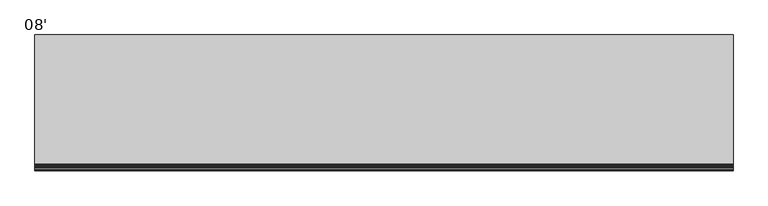
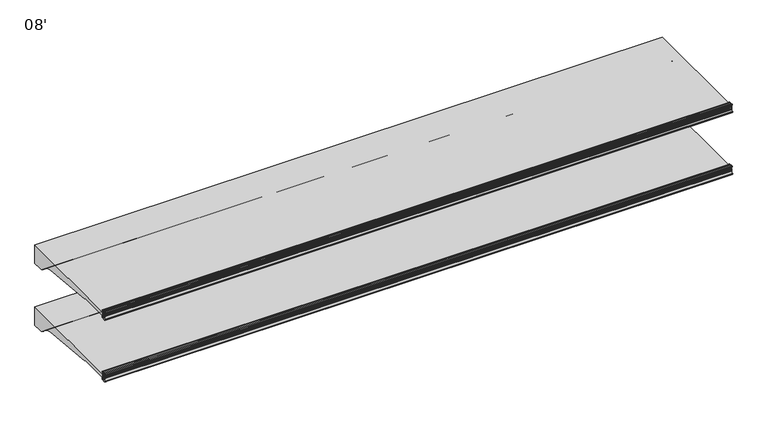
"""IFC4 building model written with IfcOpenShell, lengths in millimetres: proxy geometry, 08'."""

from ifc_helpers import new_model, si_unit, point, frame, frame_2d, origin, place, context, project, spatial, polyline, circle_curve, trimmed, segment, composite_curve, outline, extrude, source, transform, mapped, element, save
from ifc_brep_helpers import plane_surface, cylinder_surface, revolved_surface, advanced_brep


def proxy_08_d58db6a6(model_context):
    return source(origin(), model_context, "Body", "SolidModel", [
        advanced_brep(
        [(2438.4, -953.4873974, 681.0904625), (2438.4, -952.5185778, 681.4714625), (2438.4, -953.6333414, 684.3061209), (2438.4, -956.6955302, 686.3996415), (2438.4, -959.1595285, 686.4076477), (2438.4, -959.1595285, 657.8657693), (2438.4, -961.2817196, 655.360368), (2438.4, -965.5436404, 654.6561237), (2438.4, -968.2411887, 658.2745384), (2438.4, -965.1539285, 670.8307421), (2438.4, -965.1539285, 686.4076477), (2438.4, -970.314443, 686.4076477), (2438.4, -971.339509, 685.8874951), (2438.4, -972.4224632, 683.637417), (2438.4, -971.4385536, 683.443709), (2438.4, -970.8449745, 685.0408785), (2438.4, -969.9972085, 685.2102858), (2438.4, -967.9567396, 682.1127655), (2438.4, -967.0677396, 682.1127655), (2438.4, -967.0677396, 677.2983931), (2438.4, -966.2810398, 677.1037668), (2438.4, -967.0803293, 673.8729566), (2438.4, -967.1337108, 670.8148125), (2438.4, -967.1768859, 669.6923073), (2438.4, -967.3201998, 668.0486892), (2438.4, -967.7783843, 665.2928115), (2438.4, -968.1746064, 663.6912412), (2438.4, -971.9864246, 655.4135187), (2438.4, -972.8889174, 655.5326257), (2438.4, -973.3695256, 656.9783707), (2438.4, -974.339124, 656.7144155), (2438.4, -973.9435731, 655.5633791), (2438.4, -968.3206176, 651.8042842), (2438.4, -955.7661201, 653.8703352), (2438.4, -953.1994616, 655.999106), (2438.4, -952.2242271, 658.6783954), (2438.4, -953.2266912, 659.0432625), (2438.4, -954.0834067, 657.2549991), (2438.4, -957.704454, 658.1647291), (2438.4, -957.8263588, 681.9749145), (2438.4, -954.1516029, 682.7785615), (0.0, -953.4873974, 681.0904625), (0.0, -954.1516029, 682.7785615), (0.0, -957.8263588, 681.9749145), (0.0, -957.704454, 658.1647291), (0.0, -954.0834067, 657.2549991), (0.0, -953.2266912, 659.0432625), (0.0, -952.2242271, 658.6783954), (0.0, -953.1994616, 655.999106), (0.0, -955.7661201, 653.8703352), (0.0, -968.3206176, 651.8042842), (0.0, -973.943554, 655.5633876), (0.0, -974.339124, 656.7144155), (0.0, -973.3695256, 656.9783707), (0.0, -972.8889174, 655.5326257), (0.0, -971.9864527, 655.4135375), (0.0, -968.1746064, 663.6912412), (0.0, -967.7783843, 665.2928115), (0.0, -967.3201998, 668.0486892), (0.0, -967.1768859, 669.6923073), (0.0, -967.1337108, 670.8148125), (0.0, -967.0803293, 673.8729566), (0.0, -966.2810398, 677.1037668), (0.0, -967.0677396, 677.2983931), (0.0, -967.0677396, 682.1127655), (0.0, -967.9567396, 682.1127655), (0.0, -969.9972022, 685.2102916), (0.0, -970.8449745, 685.0408785), (0.0, -971.4385536, 683.443709), (0.0, -972.4224582, 683.6374156), (0.0, -971.3395219, 685.8875045), (0.0, -970.314443, 686.4076351), (0.0, -965.1539285, 686.4076477), (0.0, -965.1539285, 670.8307421), (0.0, -968.2411887, 658.2745384), (0.0, -965.5436404, 654.6561237), (0.0, -961.2817196, 655.360368), (0.0, -959.1595285, 657.8657693), (0.0, -959.1595285, 686.4076477), (0.0, -956.6955302, 686.3996415), (0.0, -953.6333414, 684.3061209), (0.0, -952.5185778, 681.4714625)],
        [
            (0, 1),
            (1, 2),
            (2, 3, circle_curve(frame((2438.4, -956.7062592, 683.0976589), z_axis=(1.0, 0.0, 0.0), x_axis=(0.0, 1.0, 0.0)), 3.302)),
            (3, 4),
            (4, 5),
            (5, 6, circle_curve(frame((2438.4, -961.6995285, 657.8657693), z_axis=(-1.0, 0.0, 0.0), x_axis=(0.0, 1.0, 0.0)), 2.54)),
            (6, 7),
            (7, 8, circle_curve(frame((2438.4, -965.9577369, 657.1621385), z_axis=(-1.0, 0.0, 0.0), x_axis=(0.0, 1.0, 0.0)), 2.5399972)),
            (8, 9, circle_curve(frame((2438.4, -996.6337496, 671.9132099), z_axis=(1.0, 0.0, 0.0), x_axis=(0.0, 1.0, 0.0)), 31.4984265)),
            (9, 10),
            (10, 11),
            (11, 12, circle_curve(frame((2438.4, -970.3145227, 685.1376477), z_axis=(1.0, 0.0, 0.0), x_axis=(0.0, 1.0, 0.0)), 1.2699874)),
            (12, 13, circle_curve(frame((2438.4, -965.8048035, 681.8380607), z_axis=(1.0, 0.0, 0.0), x_axis=(0.0, 1.0, 0.0)), 6.8579226)),
            (13, 14, circle_curve(frame((2438.4, -971.9374049, 683.5055199), z_axis=(1.0, 0.0, 0.0), x_axis=(0.0, 1.0, 0.0)), 0.5026661)),
            (14, 15),
            (15, 16, circle_curve(frame((2438.4, -970.3688025, 684.8639119), z_axis=(-1.0, 0.0, 0.0), x_axis=(0.0, 1.0, 0.0)), 0.5079931)),
            (16, 17, circle_curve(frame((2438.4, -978.1160311, 677.6412695), z_axis=(-1.0, 0.0, 0.0), x_axis=(0.0, 1.0, 0.0)), 11.0997964)),
            (17, 18),
            (18, 19),
            (19, 20),
            (20, 21),
            (21, 22),
            (22, 23, circle_curve(frame((2438.4, -995.7036769, 671.3516199), z_axis=(-1.0, 0.0, 0.0), x_axis=(0.0, 1.0, 0.0)), 28.5750087)),
            (23, 24, circle_curve(frame((2438.4, -967.6415419, 668.9047655), z_axis=(-1.0, 0.0, 0.0), x_axis=(0.0, 1.0, 0.0)), 0.9144)),
            (24, 25, circle_curve(frame((2438.4, -995.7036769, 671.3516199), z_axis=(-1.0, 0.0, 0.0), x_axis=(0.0, 1.0, 0.0)), 28.5750087)),
            (25, 26, circle_curve(frame((2438.4, -968.3594405, 664.5867655), z_axis=(-1.0, 0.0, 0.0), x_axis=(0.0, 1.0, 0.0)), 0.9144)),
            (26, 27, circle_curve(frame((2438.4, -995.7036769, 671.3516199), z_axis=(-1.0, 0.0, 0.0), x_axis=(0.0, 1.0, 0.0)), 28.5750087)),
            (27, 28, circle_curve(frame((2438.4, -972.4081685, 655.6967617), z_axis=(-1.0, 0.0, 0.0), x_axis=(0.0, 1.0, 0.0)), 0.5079962)),
            (28, 29),
            (29, 30, circle_curve(frame((2438.4, -973.8504313, 656.8320909), z_axis=(1.0, 0.0, 0.0), x_axis=(0.0, 1.0, 0.0)), 0.502661)),
            (30, 31, circle_curve(frame((2438.4, -967.6812793, 658.3588849), z_axis=(1.0, 0.0, 0.0), x_axis=(0.0, 1.0, 0.0)), 6.857928)),
            (31, 32, circle_curve(frame((2438.4, -968.1450833, 658.1518495), z_axis=(1.0, 0.0, 0.0), x_axis=(0.0, 1.0, 0.0)), 6.3499919)),
            (32, 33),
            (33, 34, circle_curve(frame((2438.4, -956.302307, 657.1285107), z_axis=(1.0, 0.0, 0.0), x_axis=(0.0, 1.0, 0.0)), 3.302)),
            (34, 35),
            (35, 36),
            (36, 37),
            (37, 38, circle_curve(frame((2438.4, -955.8014264, 658.0780625), z_axis=(-1.0, 0.0, 0.0), x_axis=(0.0, 1.0, 0.0)), 1.905)),
            (38, 39, circle_curve(frame((2438.4, -1192.7045275, 668.8669665), z_axis=(1.0, 0.0, 0.0), x_axis=(0.0, 1.0, 0.0)), 235.2436449)),
            (39, 40, circle_curve(frame((2438.4, -955.9243184, 682.0810625), z_axis=(-1.0, 0.0, 0.0), x_axis=(0.0, 1.0, 0.0)), 1.905)),
            (40, 0),
            (41, 42),
            (42, 43, circle_curve(frame((0.0, -955.9243184, 682.0810625), z_axis=(1.0, 0.0, 0.0), x_axis=(0.0, 1.0, 0.0)), 1.905)),
            (43, 44, circle_curve(frame((0.0, -1192.7045275, 668.8669665), z_axis=(-1.0, 0.0, 0.0), x_axis=(0.0, 1.0, 0.0)), 235.2436449)),
            (44, 45, circle_curve(frame((0.0, -955.8014264, 658.0780625), z_axis=(1.0, 0.0, 0.0), x_axis=(0.0, 1.0, 0.0)), 1.905)),
            (45, 46),
            (46, 47),
            (47, 48),
            (48, 49, circle_curve(frame((0.0, -956.302307, 657.1285107), z_axis=(-1.0, 0.0, 0.0), x_axis=(0.0, 1.0, 0.0)), 3.302)),
            (49, 50),
            (50, 51, circle_curve(frame((0.0, -968.1450833, 658.1518495), z_axis=(-1.0, 0.0, 0.0), x_axis=(0.0, 1.0, 0.0)), 6.3499919)),
            (51, 52, circle_curve(frame((0.0, -967.6812793, 658.3588849), z_axis=(-1.0, 0.0, 0.0), x_axis=(0.0, 1.0, 0.0)), 6.857928)),
            (52, 53, circle_curve(frame((0.0, -973.8504313, 656.8320909), z_axis=(-1.0, 0.0, 0.0), x_axis=(0.0, 1.0, 0.0)), 0.502661)),
            (53, 54),
            (54, 55, circle_curve(frame((0.0, -972.4081685, 655.6967617), z_axis=(1.0, 0.0, 0.0), x_axis=(0.0, 1.0, 0.0)), 0.5079962)),
            (55, 56, circle_curve(frame((0.0, -995.7036769, 671.3516199), z_axis=(1.0, 0.0, 0.0), x_axis=(0.0, 1.0, 0.0)), 28.5750087)),
            (56, 57, circle_curve(frame((0.0, -968.3594405, 664.5867655), z_axis=(1.0, 0.0, 0.0), x_axis=(0.0, 1.0, 0.0)), 0.9144)),
            (57, 58, circle_curve(frame((0.0, -995.7036769, 671.3516199), z_axis=(1.0, 0.0, 0.0), x_axis=(0.0, 1.0, 0.0)), 28.5750087)),
            (58, 59, circle_curve(frame((0.0, -967.6415419, 668.9047655), z_axis=(1.0, 0.0, 0.0), x_axis=(0.0, 1.0, 0.0)), 0.9144)),
            (59, 60, circle_curve(frame((0.0, -995.7036769, 671.3516199), z_axis=(1.0, 0.0, 0.0), x_axis=(0.0, 1.0, 0.0)), 28.5750087)),
            (60, 61),
            (61, 62),
            (62, 63),
            (63, 64),
            (64, 65),
            (65, 66, circle_curve(frame((0.0, -978.1160311, 677.6412695), z_axis=(1.0, 0.0, 0.0), x_axis=(0.0, 1.0, 0.0)), 11.0997964)),
            (66, 67, circle_curve(frame((0.0, -970.3688025, 684.8639119), z_axis=(1.0, 0.0, 0.0), x_axis=(0.0, 1.0, 0.0)), 0.5079931)),
            (67, 68),
            (68, 69, circle_curve(frame((0.0, -971.9374049, 683.5055199), z_axis=(-1.0, 0.0, 0.0), x_axis=(0.0, 1.0, 0.0)), 0.5026661)),
            (69, 70, circle_curve(frame((0.0, -965.8048035, 681.8380607), z_axis=(-1.0, 0.0, 0.0), x_axis=(0.0, 1.0, 0.0)), 6.8579226)),
            (70, 71, circle_curve(frame((0.0, -970.3145227, 685.1376477), z_axis=(-1.0, 0.0, 0.0), x_axis=(0.0, 1.0, 0.0)), 1.2699874)),
            (71, 72),
            (72, 73),
            (73, 74, circle_curve(frame((0.0, -996.6337496, 671.9132099), z_axis=(-1.0, 0.0, 0.0), x_axis=(0.0, 1.0, 0.0)), 31.4984265)),
            (74, 75, circle_curve(frame((0.0, -965.9577369, 657.1621385), z_axis=(1.0, 0.0, 0.0), x_axis=(0.0, 1.0, 0.0)), 2.5399972)),
            (75, 76),
            (76, 77, circle_curve(frame((0.0, -961.6995285, 657.8657693), z_axis=(1.0, 0.0, 0.0), x_axis=(0.0, 1.0, 0.0)), 2.54)),
            (77, 78),
            (78, 79),
            (79, 80, circle_curve(frame((0.0, -956.7062592, 683.0976589), z_axis=(-1.0, 0.0, 0.0), x_axis=(0.0, 1.0, 0.0)), 3.302)),
            (80, 81),
            (81, 41),
            (0, 41),
            (81, 1),
            (80, 2),
            (79, 3),
            (78, 4),
            (77, 5),
            (76, 6),
            (75, 7),
            (74, 8),
            (73, 9),
            (72, 10),
            (71, 11),
            (70, 12),
            (69, 13),
            (68, 14),
            (67, 15),
            (66, 16),
            (65, 17),
            (64, 18),
            (63, 19),
            (62, 20),
            (61, 21),
            (60, 22),
            (59, 23),
            (58, 24),
            (57, 25),
            (56, 26),
            (55, 27),
            (54, 28),
            (53, 29),
            (52, 30),
            (51, 31),
            (50, 32),
            (49, 33),
            (48, 34),
            (47, 35),
            (46, 36),
            (45, 37),
            (44, 38),
            (43, 39),
            (42, 40),
        ],
        [
            plane_surface(frame((2438.4, -952.5185778, 681.4714625), z_axis=(1.0, 0.0, 0.0), x_axis=(0.0, 0.9306231900674232, 0.3659787946162082))),
            plane_surface(frame((0.0, -952.5185778, 681.4714625), z_axis=(-1.0, 0.0, 0.0), x_axis=(0.0, -0.9306231900674232, -0.3659787946162082))),
            plane_surface(frame((2438.4, -953.4873974, 681.0904625), z_axis=(0.0, 0.3659787946162082, -0.9306231900674232), x_axis=(-1.0, 0.0, 0.0))),
            plane_surface(frame((2438.4, -952.5185778, 681.4714625), z_axis=(0.0, 0.9306231900759704, 0.3659787945944743), x_axis=(-1.0, 0.0, 0.0))),
            cylinder_surface(frame((0.0, -956.7062592, 683.0976589), z_axis=(1.0, 0.0, 0.0), x_axis=(0.0, 1.0, 0.0)), 3.302),
            plane_surface(frame((2438.4, -956.6955302, 686.3996415), z_axis=(0.0, 0.0032492421037266625, 0.9999947211989428), x_axis=(-1.0, 0.0, 0.0))),
            plane_surface(frame((2438.4, -959.1595285, 686.4076477), z_axis=(0.0, -1.0, 0.0), x_axis=(-1.0, 0.0, 0.0))),
            revolved_surface(polyline([(0.0, -959.1595285000001, 657.8657693), (2438.4, -959.1595285000001, 657.8657693)]), (0.0, -961.6995285, 657.8657693), (-1.0, 0.0, 0.0)),
            plane_surface(frame((2438.4, -961.2817196, 655.360368), z_axis=(0.0, -0.16303029417408857, 0.9866210636214444), x_axis=(-1.0, 0.0, 0.0))),
            revolved_surface(polyline([(0.0, -963.4177397, 657.1621385), (2438.4, -963.4177397, 657.1621385)]), (0.0, -965.9577369, 657.1621385), (-1.0, 0.0, 0.0)),
            cylinder_surface(frame((0.0, -996.6337496, 671.9132099), z_axis=(1.0, 0.0, 0.0), x_axis=(0.0, 1.0, 0.0)), 31.4984265),
            plane_surface(frame((2438.4, -965.1539285, 670.8307421), z_axis=(0.0, 1.0, 0.0), x_axis=(-1.0, 0.0, 0.0))),
            plane_surface(frame((2438.4, -965.1539285, 686.4076477), z_axis=(0.0, -1.119160319973389e-12, 1.0), x_axis=(-1.0, 0.0, 0.0))),
            cylinder_surface(frame((0.0, -970.3145227, 685.1376477), z_axis=(1.0, 0.0, 0.0), x_axis=(0.0, 1.0, 0.0)), 1.2699874),
            cylinder_surface(frame((0.0, -965.8048035, 681.8380607), z_axis=(1.0, 0.0, 0.0), x_axis=(0.0, 1.0, 0.0)), 6.8579226),
            cylinder_surface(frame((0.0, -971.9374049, 683.5055199), z_axis=(1.0, 0.0, 0.0), x_axis=(0.0, 1.0, 0.0)), 0.5026661),
            plane_surface(frame((2438.4, -971.4385536, 683.443709), z_axis=(0.0, 0.9373592211117492, -0.34836430729449747), x_axis=(-1.0, 0.0, 0.0))),
            revolved_surface(polyline([(0.0, -969.8608094, 684.8639119), (2438.4, -969.8608094, 684.8639119)]), (0.0, -970.3688025, 684.8639119), (-1.0, 0.0, 0.0)),
            revolved_surface(polyline([(0.0, -967.0162347, 677.6412695), (2438.4, -967.0162347, 677.6412695)]), (0.0, -978.1160311, 677.6412695), (-1.0, 0.0, 0.0)),
            plane_surface(frame((2438.4, -967.9567396, 682.1127655), z_axis=(0.0, 3.0451831539108525e-12, -1.0), x_axis=(-1.0, 0.0, 0.0))),
            plane_surface(frame((2438.4, -967.0677396, 682.1127655), z_axis=(0.0, -1.0, 0.0), x_axis=(-1.0, 0.0, 0.0))),
            plane_surface(frame((2438.4, -967.0677396, 677.2983931), z_axis=(0.0, -0.24015578728041675, -0.9707343600778348), x_axis=(-1.0, 0.0, 0.0))),
            plane_surface(frame((2438.4, -966.2810398, 677.1037668), z_axis=(0.0, -0.9707343600778283, 0.2401557872804431), x_axis=(-1.0, 0.0, 0.0))),
            plane_surface(frame((2438.4, -967.0803293, 673.8729566), z_axis=(0.0, -0.9998476868214559, 0.017452883938876798), x_axis=(-1.0, 0.0, 0.0))),
            revolved_surface(polyline([(0.0, -967.1286682, 671.3516199), (2438.4, -967.1286682, 671.3516199)]), (0.0, -995.7036769, 671.3516199), (-1.0, 0.0, 0.0)),
            revolved_surface(polyline([(0.0, -966.7271419, 668.9047655), (2438.4, -966.7271419, 668.9047655)]), (0.0, -967.6415419, 668.9047655), (-1.0, 0.0, 0.0)),
            revolved_surface(polyline([(0.0, -967.4450405, 664.5867655), (2438.4, -967.4450405, 664.5867655)]), (0.0, -968.3594405, 664.5867655), (-1.0, 0.0, 0.0)),
            revolved_surface(polyline([(0.0, -971.9001723, 655.6967617), (2438.4, -971.9001723, 655.6967617)]), (0.0, -972.4081685, 655.6967617), (-1.0, 0.0, 0.0)),
            plane_surface(frame((2438.4, -972.8889174, 655.5326257), z_axis=(0.0, 0.9489403078347877, 0.31545568970367077), x_axis=(-1.0, 0.0, 0.0))),
            cylinder_surface(frame((0.0, -973.8504313, 656.8320909), z_axis=(1.0, 0.0, 0.0), x_axis=(0.0, 1.0, 0.0)), 0.502661),
            cylinder_surface(frame((0.0, -967.6812793, 658.3588849), z_axis=(1.0, 0.0, 0.0), x_axis=(0.0, 1.0, 0.0)), 6.857928),
            cylinder_surface(frame((0.0, -968.1450833, 658.1518495), z_axis=(1.0, 0.0, 0.0), x_axis=(0.0, 1.0, 0.0)), 6.3499919),
            plane_surface(frame((2438.4, -968.3206176, 651.8042842), z_axis=(0.0, 0.16238245504538304, -0.986727894757939), x_axis=(-1.0, 0.0, 0.0))),
            cylinder_surface(frame((0.0, -956.302307, 657.1285107), z_axis=(1.0, 0.0, 0.0), x_axis=(0.0, 1.0, 0.0)), 3.302),
            plane_surface(frame((2438.4, -953.1994616, 655.999106), z_axis=(0.0, 0.9396866512804775, -0.3420365439617273), x_axis=(-1.0, 0.0, 0.0))),
            plane_surface(frame((2438.4, -952.2242271, 658.6783954), z_axis=(0.0, 0.342020143308865, 0.9396926207920244), x_axis=(-1.0, 0.0, 0.0))),
            plane_surface(frame((2438.4, -953.2266912, 659.0432625), z_axis=(0.0, -0.901847608486837, 0.43205426865912666), x_axis=(-1.0, 0.0, 0.0))),
            revolved_surface(polyline([(0.0, -953.8964264, 658.0780625), (2438.4, -953.8964264, 658.0780625)]), (0.0, -955.8014264, 658.0780625), (-1.0, 0.0, 0.0)),
            cylinder_surface(frame((0.0, -1192.7045275, 668.8669665), z_axis=(1.0, 0.0, 0.0), x_axis=(0.0, 1.0, 0.0)), 235.2436449),
            revolved_surface(polyline([(0.0, -954.0193184, 682.0810625), (2438.4, -954.0193184, 682.0810625)]), (0.0, -955.9243184, 682.0810625), (-1.0, 0.0, 0.0)),
            plane_surface(frame((2438.4, -954.1516029, 682.7785615), z_axis=(0.0, -0.9305593005414599, -0.3661412134351841), x_axis=(-1.0, 0.0, 0.0))),
        ],
        [
            (0, [[1, 2, 3, 4, 5, 6, 7, 8, 9, 10, 11, 12, 13, 14, 15, 16, 17, 18, 19, 20, 21, 22, 23, 24, 25, 26, 27, 28, 29, 30, 31, 32, 33, 34, 35, 36, 37, 38, 39, 40, 41]]),
            (1, [[42, 43, 44, 45, 46, 47, 48, 49, 50, 51, 52, 53, 54, 55, 56, 57, 58, 59, 60, 61, 62, 63, 64, 65, 66, 67, 68, 69, 70, 71, 72, 73, 74, 75, 76, 77, 78, 79, 80, 81, 82]]),
            (2, [[-1, 83, -82, 84]]),
            (3, [[-2, -84, -81, 85]]),
            (4, [[-3, -85, -80, 86]]),
            (5, [[-4, -86, -79, 87]]),
            (6, [[-5, -87, -78, 88]]),
            (7, [[-6, -88, -77, 89]]),
            (8, [[-7, -89, -76, 90]]),
            (9, [[-8, -90, -75, 91]]),
            (10, [[-9, -91, -74, 92]]),
            (11, [[-10, -92, -73, 93]]),
            (12, [[-11, -93, -72, 94]]),
            (13, [[-12, -94, -71, 95]]),
            (14, [[-13, -95, -70, 96]]),
            (15, [[-14, -96, -69, 97]]),
            (16, [[-15, -97, -68, 98]]),
            (17, [[-16, -98, -67, 99]]),
            (18, [[-17, -99, -66, 100]]),
            (19, [[-18, -100, -65, 101]]),
            (20, [[-19, -101, -64, 102]]),
            (21, [[-20, -102, -63, 103]]),
            (22, [[-21, -103, -62, 104]]),
            (23, [[-22, -104, -61, 105]]),
            (24, [[-23, -105, -60, 106]]),
            (25, [[-24, -106, -59, 107]]),
            (24, [[-25, -107, -58, 108]]),
            (26, [[-26, -108, -57, 109]]),
            (24, [[-27, -109, -56, 110]]),
            (27, [[-28, -110, -55, 111]]),
            (28, [[-29, -111, -54, 112]]),
            (29, [[-30, -112, -53, 113]]),
            (30, [[-31, -113, -52, 114]]),
            (31, [[-32, -114, -51, 115]]),
            (32, [[-33, -115, -50, 116]]),
            (33, [[-34, -116, -49, 117]]),
            (34, [[-35, -117, -48, 118]]),
            (35, [[-36, -118, -47, 119]]),
            (36, [[-37, -119, -46, 120]]),
            (37, [[-38, -120, -45, 121]]),
            (38, [[-39, -121, -44, 122]]),
            (39, [[-40, -122, -43, 123]]),
            (40, [[-41, -123, -42, -83]]),
        ],
    ),
        extrude(outline(composite_curve([segment(trimmed(circle_curve(frame_2d((-536.2729198, 626.0606371)), 25.4), [point((-535.8410838, 600.6643083))], [point((-552.2502761, 606.3151544))], False, "CARTESIAN"), True, "CONTINUOUS"), segment(polyline([(-552.2502761, 606.3151544), (-570.1023372, 620.76042)]), True, "CONTINUOUS"), segment(trimmed(circle_curve(frame_2d((-610.0457279, 571.3967132)), 63.5), [point((-570.1023372, 620.76042))], [point((-602.1478466, 634.4036452))], True, "CARTESIAN"), True, "CONTINUOUS"), segment(polyline([(-602.1478466, 634.4036452), (-835.4355203, 658.1879037), (-835.4355203, 661.5413347), (-954.2108051, 661.5413347), (-954.8655599, 657.8280355)]), True, "CONTINUOUS"), segment(trimmed(circle_curve(frame_2d((-956.153787, 658.0551847)), 1.3081), [point((-954.8655599, 657.8280355))], [point((-957.461887, 658.0551847))], False, "CARTESIAN"), True, "CONTINUOUS"), segment(polyline([(-957.461887, 658.0551847), (-957.461887, 682.2076215)]), True, "CONTINUOUS"), segment(trimmed(circle_curve(frame_2d((-956.6845498, 682.2076215)), 0.7773372), [point((-957.461887, 682.2076215))], [point((-955.9072126, 682.2076215))], False, "CARTESIAN"), True, "CONTINUOUS"), segment(polyline([(-955.9072126, 682.2076215), (-955.9072126, 681.3588437)]), True, "CONTINUOUS"), segment(trimmed(circle_curve(frame_2d((-951.0617588, 681.3588437)), 4.8454538), [point((-955.9072126, 681.3588437))], [point((-951.0838062, 676.5134401))], True, "CARTESIAN"), True, "CONTINUOUS"), segment(polyline([(-951.0838062, 676.5134401), (-500.2639658, 676.5134401), (-500.2639658, 600.6643083), (-535.8410838, 600.6643083)]), True, "CONTINUOUS")], self_intersect=False)), frame((0.0, 0.0, 0.0), z_axis=(1.0, 0.0, 0.0), x_axis=(0.0, 1.0, 0.0)), (0.0, 0.0, 1.0), 2438.4),
        advanced_brep(
        [(2438.4, -953.4873974, 935.3347051), (2438.4, -952.5185778, 935.7157051), (2438.4, -953.6333414, 938.5503636), (2438.4, -956.6955302, 940.6438842), (2438.4, -959.1595285, 940.6518903), (2438.4, -959.1595285, 912.1100119), (2438.4, -961.2817196, 909.6046106), (2438.4, -965.5436404, 908.9003664), (2438.4, -968.2411887, 912.5187811), (2438.4, -965.1539285, 925.0749847), (2438.4, -965.1539285, 940.6518903), (2438.4, -970.314443, 940.6518903), (2438.4, -971.339509, 940.1317378), (2438.4, -972.4224632, 937.8816596), (2438.4, -971.4385536, 937.6879516), (2438.4, -970.8449745, 939.2851212), (2438.4, -969.9972085, 939.4545284), (2438.4, -967.9567396, 936.3570081), (2438.4, -967.0677396, 936.3570081), (2438.4, -967.0677396, 931.5426358), (2438.4, -966.2810398, 931.3480094), (2438.4, -967.0803293, 928.1171993), (2438.4, -967.1337108, 925.0590552), (2438.4, -967.1768859, 923.93655), (2438.4, -967.3201998, 922.2929318), (2438.4, -967.7783843, 919.5370542), (2438.4, -968.1746064, 917.9354839), (2438.4, -971.9864246, 909.6577613), (2438.4, -972.8889174, 909.7768683), (2438.4, -973.3695256, 911.2226133), (2438.4, -974.339124, 910.9586582), (2438.4, -973.9435731, 909.8076217), (2438.4, -968.3206176, 906.0485269), (2438.4, -955.7661201, 908.1145778), (2438.4, -953.1994616, 910.2433487), (2438.4, -952.2242271, 912.922638), (2438.4, -953.2266912, 913.2875051), (2438.4, -954.0834067, 911.4992417), (2438.4, -957.704454, 912.4089717), (2438.4, -957.8263588, 936.2191571), (2438.4, -954.1516029, 937.0228041), (0.0, -953.4873974, 935.3347051), (0.0, -954.1516029, 937.0228041), (0.0, -957.8263588, 936.2191571), (0.0, -957.704454, 912.4089717), (0.0, -954.0834067, 911.4992417), (0.0, -953.2266912, 913.2875051), (0.0, -952.2242271, 912.922638), (0.0, -953.1994616, 910.2433487), (0.0, -955.7661201, 908.1145778), (0.0, -968.3206176, 906.0485269), (0.0, -973.943554, 909.8076302), (0.0, -974.339124, 910.9586582), (0.0, -973.3695256, 911.2226133), (0.0, -972.8889174, 909.7768683), (0.0, -971.9864527, 909.6577802), (0.0, -968.1746064, 917.9354839), (0.0, -967.7783843, 919.5370542), (0.0, -967.3201998, 922.2929318), (0.0, -967.1768859, 923.93655), (0.0, -967.1337108, 925.0590552), (0.0, -967.0803293, 928.1171993), (0.0, -966.2810398, 931.3480094), (0.0, -967.0677396, 931.5426358), (0.0, -967.0677396, 936.3570081), (0.0, -967.9567396, 936.3570081), (0.0, -969.9972022, 939.4545343), (0.0, -970.8449745, 939.2851212), (0.0, -971.4385536, 937.6879516), (0.0, -972.4224582, 937.8816583), (0.0, -971.3395219, 940.1317472), (0.0, -970.314443, 940.6518777), (0.0, -965.1539285, 940.6518903), (0.0, -965.1539285, 925.0749847), (0.0, -968.2411887, 912.5187811), (0.0, -965.5436404, 908.9003664), (0.0, -961.2817196, 909.6046106), (0.0, -959.1595285, 912.1100119), (0.0, -959.1595285, 940.6518903), (0.0, -956.6955302, 940.6438842), (0.0, -953.6333414, 938.5503636), (0.0, -952.5185778, 935.7157051)],
        [
            (0, 1),
            (1, 2),
            (2, 3, circle_curve(frame((2438.4, -956.7062592, 937.3419016), z_axis=(1.0, 0.0, 0.0), x_axis=(0.0, 1.0, 0.0)), 3.302)),
            (3, 4),
            (4, 5),
            (5, 6, circle_curve(frame((2438.4, -961.6995285, 912.1100119), z_axis=(-1.0, 0.0, 0.0), x_axis=(0.0, 1.0, 0.0)), 2.54)),
            (6, 7),
            (7, 8, circle_curve(frame((2438.4, -965.9577369, 911.4063811), z_axis=(-1.0, 0.0, 0.0), x_axis=(0.0, 1.0, 0.0)), 2.5399972)),
            (8, 9, circle_curve(frame((2438.4, -996.6337496, 926.1574525), z_axis=(1.0, 0.0, 0.0), x_axis=(0.0, 1.0, 0.0)), 31.4984265)),
            (9, 10),
            (10, 11),
            (11, 12, circle_curve(frame((2438.4, -970.3145227, 939.3818903), z_axis=(1.0, 0.0, 0.0), x_axis=(0.0, 1.0, 0.0)), 1.2699874)),
            (12, 13, circle_curve(frame((2438.4, -965.8048035, 936.0823033), z_axis=(1.0, 0.0, 0.0), x_axis=(0.0, 1.0, 0.0)), 6.8579226)),
            (13, 14, circle_curve(frame((2438.4, -971.9374049, 937.7497625), z_axis=(1.0, 0.0, 0.0), x_axis=(0.0, 1.0, 0.0)), 0.5026661)),
            (14, 15),
            (15, 16, circle_curve(frame((2438.4, -970.3688025, 939.1081545), z_axis=(-1.0, 0.0, 0.0), x_axis=(0.0, 1.0, 0.0)), 0.5079931)),
            (16, 17, circle_curve(frame((2438.4, -978.1160311, 931.8855121), z_axis=(-1.0, 0.0, 0.0), x_axis=(0.0, 1.0, 0.0)), 11.0997964)),
            (17, 18),
            (18, 19),
            (19, 20),
            (20, 21),
            (21, 22),
            (22, 23, circle_curve(frame((2438.4, -995.7036769, 925.5958625), z_axis=(-1.0, 0.0, 0.0), x_axis=(0.0, 1.0, 0.0)), 28.5750087)),
            (23, 24, circle_curve(frame((2438.4, -967.6415419, 923.1490081), z_axis=(-1.0, 0.0, 0.0), x_axis=(0.0, 1.0, 0.0)), 0.9144)),
            (24, 25, circle_curve(frame((2438.4, -995.7036769, 925.5958625), z_axis=(-1.0, 0.0, 0.0), x_axis=(0.0, 1.0, 0.0)), 28.5750087)),
            (25, 26, circle_curve(frame((2438.4, -968.3594405, 918.8310081), z_axis=(-1.0, 0.0, 0.0), x_axis=(0.0, 1.0, 0.0)), 0.9144)),
            (26, 27, circle_curve(frame((2438.4, -995.7036769, 925.5958625), z_axis=(-1.0, 0.0, 0.0), x_axis=(0.0, 1.0, 0.0)), 28.5750087)),
            (27, 28, circle_curve(frame((2438.4, -972.4081685, 909.9410043), z_axis=(-1.0, 0.0, 0.0), x_axis=(0.0, 1.0, 0.0)), 0.5079962)),
            (28, 29),
            (29, 30, circle_curve(frame((2438.4, -973.8504313, 911.0763335), z_axis=(1.0, 0.0, 0.0), x_axis=(0.0, 1.0, 0.0)), 0.502661)),
            (30, 31, circle_curve(frame((2438.4, -967.6812793, 912.6031275), z_axis=(1.0, 0.0, 0.0), x_axis=(0.0, 1.0, 0.0)), 6.857928)),
            (31, 32, circle_curve(frame((2438.4, -968.1450833, 912.3960921), z_axis=(1.0, 0.0, 0.0), x_axis=(0.0, 1.0, 0.0)), 6.3499919)),
            (32, 33),
            (33, 34, circle_curve(frame((2438.4, -956.302307, 911.3727533), z_axis=(1.0, 0.0, 0.0), x_axis=(0.0, 1.0, 0.0)), 3.302)),
            (34, 35),
            (35, 36),
            (36, 37),
            (37, 38, circle_curve(frame((2438.4, -955.8014264, 912.3223051), z_axis=(-1.0, 0.0, 0.0), x_axis=(0.0, 1.0, 0.0)), 1.905)),
            (38, 39, circle_curve(frame((2438.4, -1192.7045275, 923.1112091), z_axis=(1.0, 0.0, 0.0), x_axis=(0.0, 1.0, 0.0)), 235.2436449)),
            (39, 40, circle_curve(frame((2438.4, -955.9243184, 936.3253051), z_axis=(-1.0, 0.0, 0.0), x_axis=(0.0, 1.0, 0.0)), 1.905)),
            (40, 0),
            (41, 42),
            (42, 43, circle_curve(frame((0.0, -955.9243184, 936.3253051), z_axis=(1.0, 0.0, 0.0), x_axis=(0.0, 1.0, 0.0)), 1.905)),
            (43, 44, circle_curve(frame((0.0, -1192.7045275, 923.1112091), z_axis=(-1.0, 0.0, 0.0), x_axis=(0.0, 1.0, 0.0)), 235.2436449)),
            (44, 45, circle_curve(frame((0.0, -955.8014264, 912.3223051), z_axis=(1.0, 0.0, 0.0), x_axis=(0.0, 1.0, 0.0)), 1.905)),
            (45, 46),
            (46, 47),
            (47, 48),
            (48, 49, circle_curve(frame((0.0, -956.302307, 911.3727533), z_axis=(-1.0, 0.0, 0.0), x_axis=(0.0, 1.0, 0.0)), 3.302)),
            (49, 50),
            (50, 51, circle_curve(frame((0.0, -968.1450833, 912.3960921), z_axis=(-1.0, 0.0, 0.0), x_axis=(0.0, 1.0, 0.0)), 6.3499919)),
            (51, 52, circle_curve(frame((0.0, -967.6812793, 912.6031275), z_axis=(-1.0, 0.0, 0.0), x_axis=(0.0, 1.0, 0.0)), 6.857928)),
            (52, 53, circle_curve(frame((0.0, -973.8504313, 911.0763335), z_axis=(-1.0, 0.0, 0.0), x_axis=(0.0, 1.0, 0.0)), 0.502661)),
            (53, 54),
            (54, 55, circle_curve(frame((0.0, -972.4081685, 909.9410043), z_axis=(1.0, 0.0, 0.0), x_axis=(0.0, 1.0, 0.0)), 0.5079962)),
            (55, 56, circle_curve(frame((0.0, -995.7036769, 925.5958625), z_axis=(1.0, 0.0, 0.0), x_axis=(0.0, 1.0, 0.0)), 28.5750087)),
            (56, 57, circle_curve(frame((0.0, -968.3594405, 918.8310081), z_axis=(1.0, 0.0, 0.0), x_axis=(0.0, 1.0, 0.0)), 0.9144)),
            (57, 58, circle_curve(frame((0.0, -995.7036769, 925.5958625), z_axis=(1.0, 0.0, 0.0), x_axis=(0.0, 1.0, 0.0)), 28.5750087)),
            (58, 59, circle_curve(frame((0.0, -967.6415419, 923.1490081), z_axis=(1.0, 0.0, 0.0), x_axis=(0.0, 1.0, 0.0)), 0.9144)),
            (59, 60, circle_curve(frame((0.0, -995.7036769, 925.5958625), z_axis=(1.0, 0.0, 0.0), x_axis=(0.0, 1.0, 0.0)), 28.5750087)),
            (60, 61),
            (61, 62),
            (62, 63),
            (63, 64),
            (64, 65),
            (65, 66, circle_curve(frame((0.0, -978.1160311, 931.8855121), z_axis=(1.0, 0.0, 0.0), x_axis=(0.0, 1.0, 0.0)), 11.0997964)),
            (66, 67, circle_curve(frame((0.0, -970.3688025, 939.1081545), z_axis=(1.0, 0.0, 0.0), x_axis=(0.0, 1.0, 0.0)), 0.5079931)),
            (67, 68),
            (68, 69, circle_curve(frame((0.0, -971.9374049, 937.7497625), z_axis=(-1.0, 0.0, 0.0), x_axis=(0.0, 1.0, 0.0)), 0.5026661)),
            (69, 70, circle_curve(frame((0.0, -965.8048035, 936.0823033), z_axis=(-1.0, 0.0, 0.0), x_axis=(0.0, 1.0, 0.0)), 6.8579226)),
            (70, 71, circle_curve(frame((0.0, -970.3145227, 939.3818903), z_axis=(-1.0, 0.0, 0.0), x_axis=(0.0, 1.0, 0.0)), 1.2699874)),
            (71, 72),
            (72, 73),
            (73, 74, circle_curve(frame((0.0, -996.6337496, 926.1574525), z_axis=(-1.0, 0.0, 0.0), x_axis=(0.0, 1.0, 0.0)), 31.4984265)),
            (74, 75, circle_curve(frame((0.0, -965.9577369, 911.4063811), z_axis=(1.0, 0.0, 0.0), x_axis=(0.0, 1.0, 0.0)), 2.5399972)),
            (75, 76),
            (76, 77, circle_curve(frame((0.0, -961.6995285, 912.1100119), z_axis=(1.0, 0.0, 0.0), x_axis=(0.0, 1.0, 0.0)), 2.54)),
            (77, 78),
            (78, 79),
            (79, 80, circle_curve(frame((0.0, -956.7062592, 937.3419016), z_axis=(-1.0, 0.0, 0.0), x_axis=(0.0, 1.0, 0.0)), 3.302)),
            (80, 81),
            (81, 41),
            (0, 41),
            (81, 1),
            (80, 2),
            (79, 3),
            (78, 4),
            (77, 5),
            (76, 6),
            (75, 7),
            (74, 8),
            (73, 9),
            (72, 10),
            (71, 11),
            (70, 12),
            (69, 13),
            (68, 14),
            (67, 15),
            (66, 16),
            (65, 17),
            (64, 18),
            (63, 19),
            (62, 20),
            (61, 21),
            (60, 22),
            (59, 23),
            (58, 24),
            (57, 25),
            (56, 26),
            (55, 27),
            (54, 28),
            (53, 29),
            (52, 30),
            (51, 31),
            (50, 32),
            (49, 33),
            (48, 34),
            (47, 35),
            (46, 36),
            (45, 37),
            (44, 38),
            (43, 39),
            (42, 40),
        ],
        [
            plane_surface(frame((2438.4, -952.5185778, 935.7157051), z_axis=(1.0, 0.0, 0.0), x_axis=(0.0, 0.9306231900674232, 0.3659787946162082))),
            plane_surface(frame((0.0, -952.5185778, 935.7157051), z_axis=(-1.0, 0.0, 0.0), x_axis=(0.0, -0.9306231900674232, -0.3659787946162082))),
            plane_surface(frame((2438.4, -953.4873974, 935.3347051), z_axis=(0.0, 0.3659787946162082, -0.9306231900674232), x_axis=(-1.0, 0.0, 0.0))),
            plane_surface(frame((2438.4, -952.5185778, 935.7157051), z_axis=(0.0, 0.9306231900759704, 0.3659787945944743), x_axis=(-1.0, 0.0, 0.0))),
            cylinder_surface(frame((0.0, -956.7062592, 937.3419016), z_axis=(1.0, 0.0, 0.0), x_axis=(0.0, 1.0, 0.0)), 3.302),
            plane_surface(frame((2438.4, -956.6955302, 940.6438842), z_axis=(0.0, 0.0032492421037266625, 0.9999947211989428), x_axis=(-1.0, 0.0, 0.0))),
            plane_surface(frame((2438.4, -959.1595285, 940.6518903), z_axis=(0.0, -1.0, 0.0), x_axis=(-1.0, 0.0, 0.0))),
            revolved_surface(polyline([(0.0, -959.1595285000001, 912.1100119), (2438.4, -959.1595285000001, 912.1100119)]), (0.0, -961.6995285, 912.1100119), (-1.0, 0.0, 0.0)),
            plane_surface(frame((2438.4, -961.2817196, 909.6046106), z_axis=(0.0, -0.16303029417408857, 0.9866210636214444), x_axis=(-1.0, 0.0, 0.0))),
            revolved_surface(polyline([(0.0, -963.4177397, 911.4063811), (2438.4, -963.4177397, 911.4063811)]), (0.0, -965.9577369, 911.4063811), (-1.0, 0.0, 0.0)),
            cylinder_surface(frame((0.0, -996.6337496, 926.1574525), z_axis=(1.0, 0.0, 0.0), x_axis=(0.0, 1.0, 0.0)), 31.4984265),
            plane_surface(frame((2438.4, -965.1539285, 925.0749847), z_axis=(0.0, 1.0, 0.0), x_axis=(-1.0, 0.0, 0.0))),
            plane_surface(frame((2438.4, -965.1539285, 940.6518903), z_axis=(0.0, -1.119160319973389e-12, 1.0), x_axis=(-1.0, 0.0, 0.0))),
            cylinder_surface(frame((0.0, -970.3145227, 939.3818903), z_axis=(1.0, 0.0, 0.0), x_axis=(0.0, 1.0, 0.0)), 1.2699874),
            cylinder_surface(frame((0.0, -965.8048035, 936.0823033), z_axis=(1.0, 0.0, 0.0), x_axis=(0.0, 1.0, 0.0)), 6.8579226),
            cylinder_surface(frame((0.0, -971.9374049, 937.7497625), z_axis=(1.0, 0.0, 0.0), x_axis=(0.0, 1.0, 0.0)), 0.5026661),
            plane_surface(frame((2438.4, -971.4385536, 937.6879516), z_axis=(0.0, 0.9373592211117492, -0.34836430729449747), x_axis=(-1.0, 0.0, 0.0))),
            revolved_surface(polyline([(0.0, -969.8608094, 939.1081545), (2438.4, -969.8608094, 939.1081545)]), (0.0, -970.3688025, 939.1081545), (-1.0, 0.0, 0.0)),
            revolved_surface(polyline([(0.0, -967.0162347, 931.8855121), (2438.4, -967.0162347, 931.8855121)]), (0.0, -978.1160311, 931.8855121), (-1.0, 0.0, 0.0)),
            plane_surface(frame((2438.4, -967.9567396, 936.3570081), z_axis=(0.0, 3.0451831539108525e-12, -1.0), x_axis=(-1.0, 0.0, 0.0))),
            plane_surface(frame((2438.4, -967.0677396, 936.3570081), z_axis=(0.0, -1.0, 0.0), x_axis=(-1.0, 0.0, 0.0))),
            plane_surface(frame((2438.4, -967.0677396, 931.5426358), z_axis=(0.0, -0.24015578728041675, -0.9707343600778348), x_axis=(-1.0, 0.0, 0.0))),
            plane_surface(frame((2438.4, -966.2810398, 931.3480094), z_axis=(0.0, -0.9707343600778283, 0.2401557872804431), x_axis=(-1.0, 0.0, 0.0))),
            plane_surface(frame((2438.4, -967.0803293, 928.1171993), z_axis=(0.0, -0.9998476868214559, 0.017452883938876798), x_axis=(-1.0, 0.0, 0.0))),
            revolved_surface(polyline([(0.0, -967.1286682, 925.5958625), (2438.4, -967.1286682, 925.5958625)]), (0.0, -995.7036769, 925.5958625), (-1.0, 0.0, 0.0)),
            revolved_surface(polyline([(0.0, -966.7271419, 923.1490081), (2438.4, -966.7271419, 923.1490081)]), (0.0, -967.6415419, 923.1490081), (-1.0, 0.0, 0.0)),
            revolved_surface(polyline([(0.0, -967.4450405, 918.8310081), (2438.4, -967.4450405, 918.8310081)]), (0.0, -968.3594405, 918.8310081), (-1.0, 0.0, 0.0)),
            revolved_surface(polyline([(0.0, -971.9001723, 909.9410043), (2438.4, -971.9001723, 909.9410043)]), (0.0, -972.4081685, 909.9410043), (-1.0, 0.0, 0.0)),
            plane_surface(frame((2438.4, -972.8889174, 909.7768683), z_axis=(0.0, 0.9489403078347877, 0.31545568970367077), x_axis=(-1.0, 0.0, 0.0))),
            cylinder_surface(frame((0.0, -973.8504313, 911.0763335), z_axis=(1.0, 0.0, 0.0), x_axis=(0.0, 1.0, 0.0)), 0.502661),
            cylinder_surface(frame((0.0, -967.6812793, 912.6031275), z_axis=(1.0, 0.0, 0.0), x_axis=(0.0, 1.0, 0.0)), 6.857928),
            cylinder_surface(frame((0.0, -968.1450833, 912.3960921), z_axis=(1.0, 0.0, 0.0), x_axis=(0.0, 1.0, 0.0)), 6.3499919),
            plane_surface(frame((2438.4, -968.3206176, 906.0485269), z_axis=(0.0, 0.16238245504538304, -0.986727894757939), x_axis=(-1.0, 0.0, 0.0))),
            cylinder_surface(frame((0.0, -956.302307, 911.3727533), z_axis=(1.0, 0.0, 0.0), x_axis=(0.0, 1.0, 0.0)), 3.302),
            plane_surface(frame((2438.4, -953.1994616, 910.2433487), z_axis=(0.0, 0.9396866512804775, -0.3420365439617273), x_axis=(-1.0, 0.0, 0.0))),
            plane_surface(frame((2438.4, -952.2242271, 912.922638), z_axis=(0.0, 0.342020143308865, 0.9396926207920244), x_axis=(-1.0, 0.0, 0.0))),
            plane_surface(frame((2438.4, -953.2266912, 913.2875051), z_axis=(0.0, -0.901847608486837, 0.43205426865912666), x_axis=(-1.0, 0.0, 0.0))),
            revolved_surface(polyline([(0.0, -953.8964264, 912.3223051), (2438.4, -953.8964264, 912.3223051)]), (0.0, -955.8014264, 912.3223051), (-1.0, 0.0, 0.0)),
            cylinder_surface(frame((0.0, -1192.7045275, 923.1112091), z_axis=(1.0, 0.0, 0.0), x_axis=(0.0, 1.0, 0.0)), 235.2436449),
            revolved_surface(polyline([(0.0, -954.0193184, 936.3253051), (2438.4, -954.0193184, 936.3253051)]), (0.0, -955.9243184, 936.3253051), (-1.0, 0.0, 0.0)),
            plane_surface(frame((2438.4, -954.1516029, 937.0228041), z_axis=(0.0, -0.9305593005414599, -0.3661412134351841), x_axis=(-1.0, 0.0, 0.0))),
        ],
        [
            (0, [[1, 2, 3, 4, 5, 6, 7, 8, 9, 10, 11, 12, 13, 14, 15, 16, 17, 18, 19, 20, 21, 22, 23, 24, 25, 26, 27, 28, 29, 30, 31, 32, 33, 34, 35, 36, 37, 38, 39, 40, 41]]),
            (1, [[42, 43, 44, 45, 46, 47, 48, 49, 50, 51, 52, 53, 54, 55, 56, 57, 58, 59, 60, 61, 62, 63, 64, 65, 66, 67, 68, 69, 70, 71, 72, 73, 74, 75, 76, 77, 78, 79, 80, 81, 82]]),
            (2, [[-1, 83, -82, 84]]),
            (3, [[-2, -84, -81, 85]]),
            (4, [[-3, -85, -80, 86]]),
            (5, [[-4, -86, -79, 87]]),
            (6, [[-5, -87, -78, 88]]),
            (7, [[-6, -88, -77, 89]]),
            (8, [[-7, -89, -76, 90]]),
            (9, [[-8, -90, -75, 91]]),
            (10, [[-9, -91, -74, 92]]),
            (11, [[-10, -92, -73, 93]]),
            (12, [[-11, -93, -72, 94]]),
            (13, [[-12, -94, -71, 95]]),
            (14, [[-13, -95, -70, 96]]),
            (15, [[-14, -96, -69, 97]]),
            (16, [[-15, -97, -68, 98]]),
            (17, [[-16, -98, -67, 99]]),
            (18, [[-17, -99, -66, 100]]),
            (19, [[-18, -100, -65, 101]]),
            (20, [[-19, -101, -64, 102]]),
            (21, [[-20, -102, -63, 103]]),
            (22, [[-21, -103, -62, 104]]),
            (23, [[-22, -104, -61, 105]]),
            (24, [[-23, -105, -60, 106]]),
            (25, [[-24, -106, -59, 107]]),
            (24, [[-25, -107, -58, 108]]),
            (26, [[-26, -108, -57, 109]]),
            (24, [[-27, -109, -56, 110]]),
            (27, [[-28, -110, -55, 111]]),
            (28, [[-29, -111, -54, 112]]),
            (29, [[-30, -112, -53, 113]]),
            (30, [[-31, -113, -52, 114]]),
            (31, [[-32, -114, -51, 115]]),
            (32, [[-33, -115, -50, 116]]),
            (33, [[-34, -116, -49, 117]]),
            (34, [[-35, -117, -48, 118]]),
            (35, [[-36, -118, -47, 119]]),
            (36, [[-37, -119, -46, 120]]),
            (37, [[-38, -120, -45, 121]]),
            (38, [[-39, -121, -44, 122]]),
            (39, [[-40, -122, -43, 123]]),
            (40, [[-41, -123, -42, -83]]),
        ],
    ),
        extrude(outline(composite_curve([segment(trimmed(circle_curve(frame_2d((-536.2729198, 880.3048798)), 25.4), [point((-535.8410838, 854.908551))], [point((-552.2502761, 860.5593971))], False, "CARTESIAN"), True, "CONTINUOUS"), segment(polyline([(-552.2502761, 860.5593971), (-570.1023372, 875.0046626)]), True, "CONTINUOUS"), segment(trimmed(circle_curve(frame_2d((-610.0457279, 825.6409559)), 63.5), [point((-570.1023372, 875.0046626))], [point((-602.1478466, 888.6478878))], True, "CARTESIAN"), True, "CONTINUOUS"), segment(polyline([(-602.1478466, 888.6478878), (-835.4355203, 912.4321464), (-835.4355203, 915.7855773), (-954.2108051, 915.7855773), (-954.8655599, 912.0722781)]), True, "CONTINUOUS"), segment(trimmed(circle_curve(frame_2d((-956.153787, 912.2994273)), 1.3081), [point((-954.8655599, 912.0722781))], [point((-957.461887, 912.2994273))], False, "CARTESIAN"), True, "CONTINUOUS"), segment(polyline([(-957.461887, 912.2994273), (-957.461887, 936.4518642)]), True, "CONTINUOUS"), segment(trimmed(circle_curve(frame_2d((-956.6845498, 936.4518642)), 0.7773372), [point((-957.461887, 936.4518642))], [point((-955.9072126, 936.4518642))], False, "CARTESIAN"), True, "CONTINUOUS"), segment(polyline([(-955.9072126, 936.4518642), (-955.9072126, 935.6030864)]), True, "CONTINUOUS"), segment(trimmed(circle_curve(frame_2d((-951.0617588, 935.6030864)), 4.8454538), [point((-955.9072126, 935.6030864))], [point((-951.0838062, 930.7576827))], True, "CARTESIAN"), True, "CONTINUOUS"), segment(polyline([(-951.0838062, 930.7576827), (-500.2639658, 930.7576827), (-500.2639658, 854.908551), (-535.8410838, 854.908551)]), True, "CONTINUOUS")], self_intersect=False)), frame((0.0, 0.0, 0.0), z_axis=(1.0, 0.0, 0.0), x_axis=(0.0, 1.0, 0.0)), (0.0, 0.0, 1.0), 2438.4),
    ])


if __name__ == "__main__":
    model = new_model("IFC4")
    model_context = context("Model", 3, world=origin())
    ifc_project = project(units=[si_unit("LENGTHUNIT", "METRE", prefix="MILLI")], contexts=[model_context])
    site = spatial("IfcSite", under=ifc_project)
    building = spatial("IfcBuilding", under=site)
    placement = place(None, origin())
    proxy_08_shape = proxy_08_d58db6a6(model_context)
    element("IfcBuildingElementProxy", 1, Name="08'", ObjectType="08'", at=placement, inside=building, context=model_context, shape_type="MappedRepresentation", body=[
        mapped(proxy_08_shape, transform((0.0, 0.0, 0.0), x_axis=(1.0, 0.0, 0.0), y_axis=(0.0, 1.0, 0.0), z_axis=(0.0, 0.0, 1.0))),
    ])
    save(model, "model.ifc")
